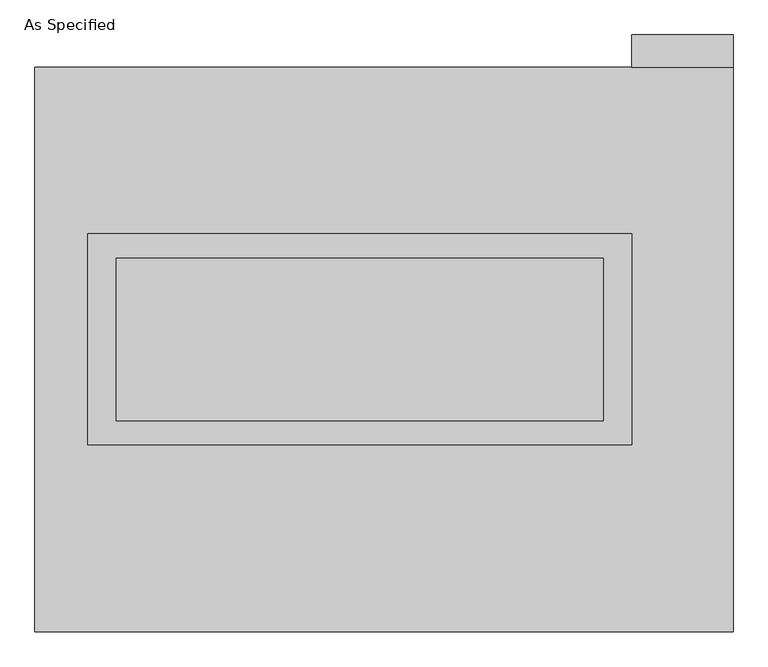
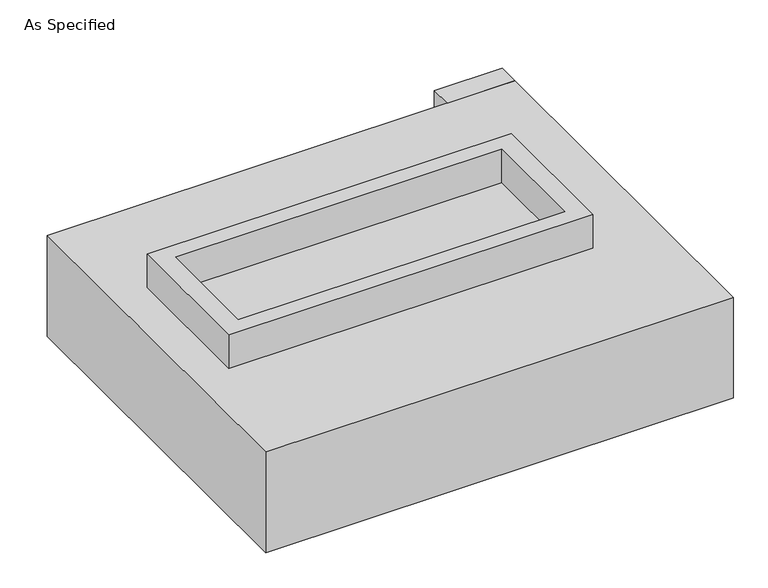
"""IFC4 building model written with IfcOpenShell, lengths in millimetres: proxy geometry, As Specified."""

from ifc_helpers import new_model, si_unit, frame, origin, place, context, project, spatial, polyline, outline, extrude, faceted_brep, source, transform, mapped, element, save


def as_specified_840daa3f(model_context):
    return source(origin(), model_context, "Body", "SolidModel", [
        extrude(outline(polyline([(850.9, 361.95), (850.9, -298.45), (-850.9, -298.45), (-850.9, 361.95), (850.9, 361.95)]), holes=[polyline([(762.0, 285.75), (-762.0, 285.75), (-762.0, -222.25), (762.0, -222.25), (762.0, 285.75)])]), frame((0.0, 0.0, -25.4), z_axis=(0.0, 0.0, 1.0), x_axis=(1.0, 0.0, 0.0)), (0.0, 0.0, 1.0), 165.1),
        extrude(outline(polyline([(850.9, 882.65), (850.9, 984.25), (1168.4, 984.25), (1168.4, 882.65), (850.9, 882.65)])), frame((0.0, 0.0, -523.875), z_axis=(0.0, 0.0, 1.0), x_axis=(1.0, 0.0, 0.0)), (0.0, 0.0, 1.0), 498.475),
        extrude(outline(polyline([(762.0, 285.75), (762.0, -222.25), (-762.0, -222.25), (-762.0, 285.75), (762.0, 285.75)])), frame((0.0, 0.0, -30.3609375), z_axis=(0.0, 0.0, 1.0), x_axis=(1.0, 0.0, 0.0)), (0.0, 0.0, 1.0), 4.9609375),
        faceted_brep([(1168.4, -882.65, -523.875), (-1016.0, -882.65, -523.875), (-1016.0, 882.65, -523.875), (1168.4, 882.65, -523.875), (1168.4, 882.65, -25.4), (-1016.0, 882.65, -25.4), (-1016.0, -882.65, -25.4), (1168.4, -882.65, -25.4), (850.9, 361.95, -25.4), (850.9, -298.45, -25.4), (-850.9, -298.45, -25.4), (-850.9, 361.95, -25.4), (850.9, 361.95, -498.475), (-850.9, 361.95, -498.475), (-850.9, -298.45, -498.475), (850.9, -298.45, -498.475)], [[[0, 1, 2, 3]], [[4, 5, 6, 7], [8, 9, 10, 11]], [[3, 2, 5, 4]], [[2, 1, 6, 5]], [[0, 3, 4, 7]], [[12, 13, 14, 15]], [[14, 13, 11, 10]], [[13, 12, 8, 11]], [[12, 15, 9, 8]], [[10, 9, 15, 14]], [[1, 0, 7, 6]]]),
    ])


if __name__ == "__main__":
    model = new_model("IFC4")
    model_context = context("Model", 3, world=origin())
    ifc_project = project(units=[si_unit("LENGTHUNIT", "METRE", prefix="MILLI")], contexts=[model_context])
    site = spatial("IfcSite", under=ifc_project)
    building = spatial("IfcBuilding", under=site)
    placement = place(None, origin())
    as_specified_shape = as_specified_840daa3f(model_context)
    element("IfcBuildingElementProxy", 1, Name="As Specified", ObjectType="As Specified", at=placement, inside=building, context=model_context, shape_type="MappedRepresentation", body=[
        mapped(as_specified_shape, transform((0.0, 0.0, 0.0), x_axis=(1.0, 0.0, 0.0), y_axis=(0.0, 1.0, 0.0), z_axis=(0.0, 0.0, 1.0))),
    ])
    save(model, "model.ifc")
